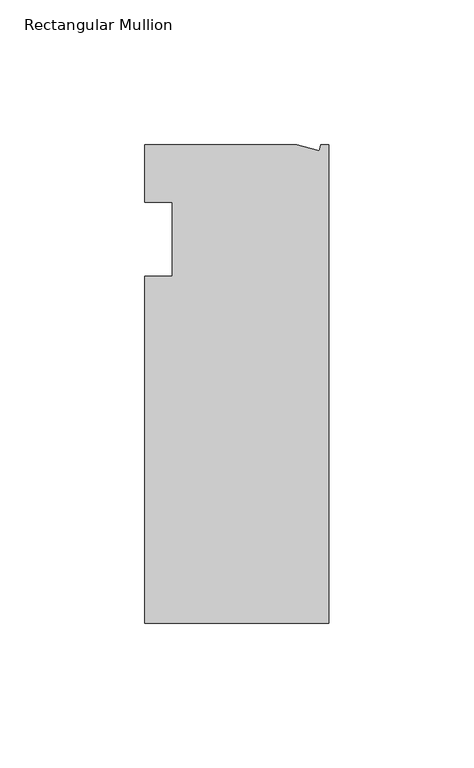
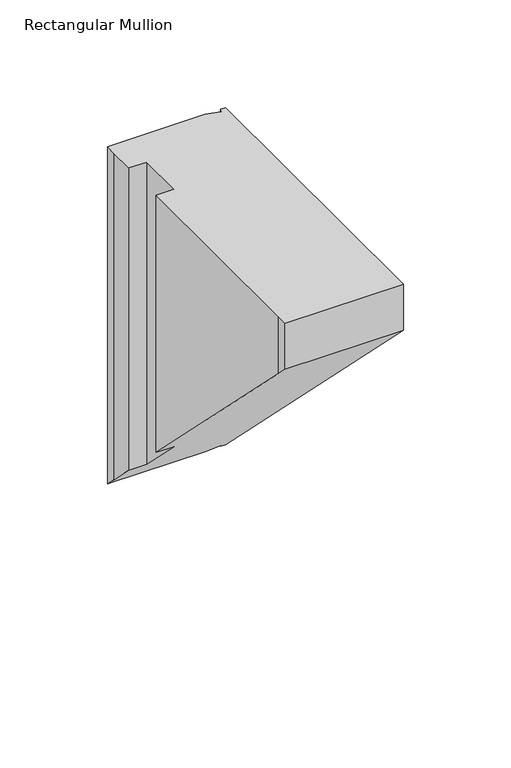
"""IFC4 building model written with IfcOpenShell, lengths in millimetres: member geometry, Rectangular Mullion."""

from ifc_helpers import new_model, si_unit, origin, place, context, project, spatial, faceted_brep, source, transform, mapped, element, save


def rectangular_mullion_1fc7cf02(model_context):
    return source(origin(), model_context, "Body", "Brep", [
        faceted_brep([(0.0, -132.5561012, 0.0), (0.0, 32.5438988, 0.0), (-2.7630634, 32.5438988, 0.0), (-3.3223696, 30.4565397, 0.0), (-11.1125, 32.5438988, 0.0), (-63.5076469, 32.5438988, 0.0), (-63.5076469, 26.1938988, 0.0), (-63.5, 12.7, 0.0), (-53.975, 12.7, 0.0), (-53.975, -12.8488281, 0.0), (-63.5, -12.8488281, 0.0), (-63.5, -126.2061012, 0.0), (-63.5, -132.5561012, 0.0), (-63.5, 26.1938988, -184.9438988), (-63.5, 12.7, -171.45), (-53.975, 12.7, -171.45), (-53.975, -12.8488281, -145.9011719), (-63.5, -12.8488281, -145.9011719), (-63.5, -126.2061012, -32.5438988), (-63.5, -132.5561012, -26.1938988), (0.0, -132.5561012, -26.1938988), (0.0, 32.5438988, -191.2938988), (-2.7630634, 32.5438988, -191.2938988), (-3.3223696, 30.4565397, -189.2065397), (-11.1125, 32.5438988, -191.2938988), (-63.5076469, 32.5438988, -191.2938988)], [[[0, 1, 2, 3, 4, 5, 6, 7, 8, 9, 10, 11, 12]], [[7, 6, 13, 14]], [[8, 7, 14, 15]], [[9, 8, 15, 16]], [[10, 9, 16, 17]], [[11, 10, 17, 18]], [[0, 12, 19, 20]], [[1, 0, 20, 21]], [[2, 1, 21, 22]], [[3, 2, 22, 23]], [[4, 3, 23, 24]], [[5, 4, 24, 25]], [[20, 19, 18, 17, 16, 15, 14, 13, 25, 24, 23, 22, 21]], [[6, 5, 25, 13]], [[12, 11, 18, 19]]]),
    ])


if __name__ == "__main__":
    model = new_model("IFC4")
    model_context = context("Model", 3, world=origin())
    ifc_project = project(units=[si_unit("LENGTHUNIT", "METRE", prefix="MILLI")], contexts=[model_context])
    site = spatial("IfcSite", under=ifc_project)
    building = spatial("IfcBuilding", under=site)
    placement = place(None, origin())
    rectangular_mullion_shape = rectangular_mullion_1fc7cf02(model_context)
    element("IfcMember", 1, ObjectType="Rectangular Mullion", at=placement, inside=building, context=model_context, shape_type="MappedRepresentation", body=[
        mapped(rectangular_mullion_shape, transform((0.0, 0.0, 0.0), x_axis=(1.0, 0.0, 0.0), y_axis=(0.0, 1.0, 0.0), z_axis=(0.0, 0.0, 1.0))),
    ])
    save(model, "model.ifc")
